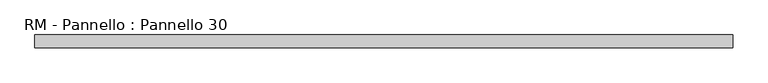
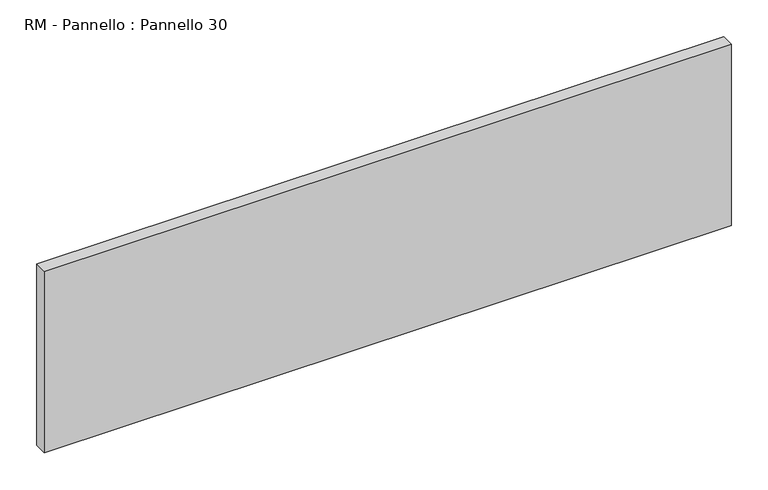
"""IFC4 building model written with IfcOpenShell, lengths in millimetres: plate geometry, RM - Pannello : Pannello 30."""

from ifc_helpers import new_model, si_unit, origin, origin_with_axes, place, context, project, spatial, polyline, outline, extrude, source, transform, mapped, element, save


def rm_pannello_pannello_30_3a88419f(model_context):
    return source(origin(), model_context, "Body", "SweptSolid", [
        extrude(outline(polyline([(537.0, 200.0), (537.0, 180.0), (-537.0, 180.0), (-537.0, 200.0), (537.0, 200.0)])), origin_with_axes(), (0.0, 0.0, 1.0), 300.0),
    ])


if __name__ == "__main__":
    model = new_model("IFC4")
    model_context = context("Model", 3, world=origin())
    ifc_project = project(units=[si_unit("LENGTHUNIT", "METRE", prefix="MILLI")], contexts=[model_context])
    site = spatial("IfcSite", under=ifc_project)
    building = spatial("IfcBuilding", under=site)
    placement = place(None, origin())
    rm_pannello_pannello_30_shape = rm_pannello_pannello_30_3a88419f(model_context)
    element("IfcPlate", 1, ObjectType="RM - Pannello : Pannello 30", at=placement, inside=building, context=model_context, shape_type="MappedRepresentation", body=[
        mapped(rm_pannello_pannello_30_shape, transform((0.0, 0.0, 0.0), x_axis=(1.0, 0.0, 0.0), y_axis=(0.0, 1.0, 0.0), z_axis=(0.0, 0.0, 1.0))),
    ])
    save(model, "model.ifc")
